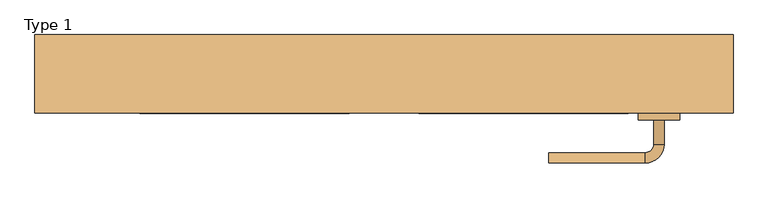
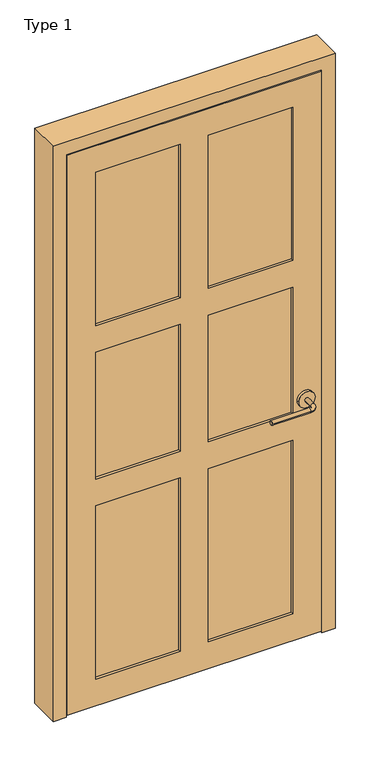
"""IFC4 building model written with IfcOpenShell, lengths in millimetres: door geometry, Type 1."""

from ifc_helpers import new_model, si_unit, point, frame, frame_2d, origin, place, context, project, spatial, circle_curve, ellipse_curve, trimmed, segment, composite_curve, outline, extrude, faceted_brep, source, transform, mapped, element, save
from ifc_brep_helpers import plane_surface, cylinder_surface, revolved_surface, advanced_brep


def type_1_a04a59ce(model_context):
    return source(origin(), model_context, "Body", "SolidModel", [
        advanced_brep(
        [(509.0006555, -14.4795325, 914.4), (494.0006555, -14.4795325, 914.4), (509.0006555, 20.5204675, 914.4), (494.0006555, 20.5204675, 914.4), (481.5006555, 33.0204675, 914.4), (481.5006555, 48.0204675, 914.4), (341.5006555, 48.0204675, 914.4), (341.5006555, 33.0204675, 914.4)],
        [
            (0, 1, circle_curve(frame((501.5006555, -14.4795325, 914.4), z_axis=(0.0, -1.0, 0.0), x_axis=(-1.0, 0.0, 0.0)), 7.5)),
            (1, 0, circle_curve(frame((501.5006555, -14.4795325, 914.4), z_axis=(0.0, -1.0, 0.0), x_axis=(-1.0, 0.0, 0.0)), 7.5)),
            (0, 2),
            (2, 3, circle_curve(frame((501.5006555, 20.5204675, 914.4), z_axis=(0.0, -1.0, 0.0), x_axis=(-1.0, 0.0, 0.0)), 7.5)),
            (3, 1),
            (3, 2, circle_curve(frame((501.5006555, 20.5204675, 914.4), z_axis=(0.0, -1.0, 0.0), x_axis=(-1.0, 0.0, 0.0)), 7.5)),
            (4, 3, circle_curve(frame((481.5006555, 20.5204675, 914.4), z_axis=(0.0, 0.0, -1.0), x_axis=(1.0, 0.0, 0.0)), 12.5)),
            (2, 5, circle_curve(frame((481.5006555, 20.5204675, 914.4), z_axis=(0.0, 0.0, 1.0), x_axis=(1.0, 0.0, 0.0)), 27.5)),
            (5, 4, circle_curve(frame((481.5006555, 40.5204675, 914.4), z_axis=(1.0, 0.0, 0.0), x_axis=(0.0, -1.0, 0.0)), 7.5)),
            (4, 5, circle_curve(frame((481.5006555, 40.5204675, 914.4), z_axis=(1.0, 0.0, 0.0), x_axis=(0.0, -1.0, 0.0)), 7.5)),
            (6, 7, circle_curve(frame((341.5006555, 40.5204675, 914.4), z_axis=(-1.0, 0.0, 0.0), x_axis=(0.0, -1.0, 0.0)), 7.5)),
            (7, 6, circle_curve(frame((341.5006555, 40.5204675, 914.4), z_axis=(-1.0, 0.0, 0.0), x_axis=(0.0, -1.0, 0.0)), 7.5)),
            (5, 6),
            (7, 4),
        ],
        [
            plane_surface(frame((501.5006555, -14.4795325, 914.4), z_axis=(0.0, -1.0, 0.0), x_axis=(0.0, 0.0, 1.0))),
            cylinder_surface(frame((501.5006555, -14.4795325, 914.4), z_axis=(0.0, -1.0, 0.0), x_axis=(-1.0, 0.0, 0.0)), 7.5),
            revolved_surface(trimmed(ellipse_curve(frame((501.5006555, 20.5204675, 914.4), z_axis=(0.0, -1.0, 0.0), x_axis=(-1.0, 0.0, 0.0)), 7.5, 7.5), [point((509.0006555, 20.5204675, 914.4))], [point((494.0006555, 20.5204675, 914.4))], True, "CARTESIAN"), (481.5006555, 20.5204675, 914.4), (0.0, 0.0, 1.0)),
            revolved_surface(trimmed(ellipse_curve(frame((501.5006555, 20.5204675, 914.4), z_axis=(0.0, -1.0, 0.0), x_axis=(-1.0, 0.0, 0.0)), 7.5, 7.5), [point((494.0006555, 20.5204675, 914.4))], [point((509.0006555, 20.5204675, 914.4))], True, "CARTESIAN"), (481.5006555, 20.5204675, 914.4), (0.0, 0.0, 1.0)),
            plane_surface(frame((341.5006555, 40.5204675, 914.4), z_axis=(-1.0, 0.0, 0.0), x_axis=(0.0, 0.0, 1.0))),
            cylinder_surface(frame((481.5006555, 40.5204675, 914.4), z_axis=(1.0, 0.0, 0.0), x_axis=(0.0, -1.0, 0.0)), 7.5),
        ],
        [
            (0, [[1, 2]]),
            (1, [[-1, 3, 4, 5]]),
            (1, [[-2, -5, 6, -3]]),
            (2, [[7, -4, 8, 9]]),
            (3, [[-8, -6, -7, 10]]),
            (4, [[11, 12]]),
            (5, [[-9, 13, -12, 14]]),
            (5, [[-10, -14, -11, -13]]),
        ],
    ),
        extrude(outline(composite_curve([segment(trimmed(circle_curve(frame_2d((914.4, 501.5006555)), 30.0), [point((914.4, 531.5006555))], [point((914.4, 471.5006555))], False, "CARTESIAN"), True, "CONTINUOUS"), segment(trimmed(circle_curve(frame_2d((914.4, 501.5006555)), 30.0), [point((914.4, 471.5006555))], [point((914.4, 531.5006555))], False, "CARTESIAN"), True, "CONTINUOUS")], self_intersect=False)), frame((0.0, -24.4795325, 0.0), z_axis=(0.0, 1.0, 0.0), x_axis=(0.0, 0.0, 1.0)), (0.0, 0.0, 1.0), 10.0),
        advanced_brep(
        [(509.0006555, -69.4045325, 914.4), (494.0006555, -69.4045325, 914.4), (494.0006555, -104.4045325, 914.4), (509.0006555, -104.4045325, 914.4), (481.5006555, -116.9045325, 914.4), (481.5006555, -131.9045325, 914.4), (341.5006555, -131.9045325, 914.4), (341.5006555, -116.9045325, 914.4)],
        [
            (0, 1, circle_curve(frame((501.5006555, -69.4045325, 914.4), z_axis=(0.0, 1.0, 0.0), x_axis=(-1.0, 0.0, 0.0)), 7.5)),
            (1, 0, circle_curve(frame((501.5006555, -69.4045325, 914.4), z_axis=(0.0, 1.0, 0.0), x_axis=(-1.0, 0.0, 0.0)), 7.5)),
            (1, 2),
            (2, 3, circle_curve(frame((501.5006555, -104.4045325, 914.4), z_axis=(0.0, 1.0, 0.0), x_axis=(-1.0, 0.0, 0.0)), 7.5)),
            (3, 0),
            (3, 2, circle_curve(frame((501.5006555, -104.4045325, 914.4), z_axis=(0.0, 1.0, 0.0), x_axis=(-1.0, 0.0, 0.0)), 7.5)),
            (4, 5, circle_curve(frame((481.5006555, -124.4045325, 914.4), z_axis=(1.0, 0.0, 0.0), x_axis=(0.0, 1.0, 0.0)), 7.5)),
            (5, 3, circle_curve(frame((481.5006555, -104.4045325, 914.4), z_axis=(0.0, 0.0, 1.0), x_axis=(1.0, 0.0, 0.0)), 27.5)),
            (2, 4, circle_curve(frame((481.5006555, -104.4045325, 914.4), z_axis=(0.0, 0.0, -1.0), x_axis=(1.0, 0.0, 0.0)), 12.5)),
            (5, 4, circle_curve(frame((481.5006555, -124.4045325, 914.4), z_axis=(1.0, 0.0, 0.0), x_axis=(0.0, 1.0, 0.0)), 7.5)),
            (6, 7, circle_curve(frame((341.5006555, -124.4045325, 914.4), z_axis=(-1.0, 0.0, 0.0), x_axis=(0.0, 1.0, 0.0)), 7.5)),
            (7, 6, circle_curve(frame((341.5006555, -124.4045325, 914.4), z_axis=(-1.0, 0.0, 0.0), x_axis=(0.0, 1.0, 0.0)), 7.5)),
            (4, 7),
            (6, 5),
        ],
        [
            plane_surface(frame((501.5006555, -69.4045325, 914.4), z_axis=(0.0, 1.0, 0.0), x_axis=(0.0, 0.0, 1.0))),
            cylinder_surface(frame((501.5006555, -69.4045325, 914.4), z_axis=(0.0, 1.0, 0.0), x_axis=(-1.0, 0.0, 0.0)), 7.5),
            revolved_surface(trimmed(ellipse_curve(frame((501.5006555, -104.4045325, 914.4), z_axis=(0.0, -1.0, 0.0), x_axis=(-1.0, 0.0, 0.0)), 7.5, 7.5), [point((509.0006555, -104.4045325, 914.4))], [point((494.0006555, -104.4045325, 914.4))], True, "CARTESIAN"), (481.5006555, -104.4045325, 914.4), (0.0, 0.0, 1.0)),
            revolved_surface(trimmed(ellipse_curve(frame((501.5006555, -104.4045325, 914.4), z_axis=(0.0, -1.0, 0.0), x_axis=(-1.0, 0.0, 0.0)), 7.5, 7.5), [point((494.0006555, -104.4045325, 914.4))], [point((509.0006555, -104.4045325, 914.4))], True, "CARTESIAN"), (481.5006555, -104.4045325, 914.4), (0.0, 0.0, 1.0)),
            plane_surface(frame((341.5006555, -124.4045325, 914.4), z_axis=(-1.0, 0.0, 0.0), x_axis=(0.0, 0.0, 1.0))),
            cylinder_surface(frame((481.5006555, -124.4045325, 914.4), z_axis=(1.0, 0.0, 0.0), x_axis=(0.0, 1.0, 0.0)), 7.5),
        ],
        [
            (0, [[1, 2]]),
            (1, [[3, 4, 5, -2]]),
            (1, [[-5, 6, -3, -1]]),
            (2, [[7, 8, -4, 9]]),
            (3, [[10, -9, -6, -8]]),
            (4, [[11, 12]]),
            (5, [[13, -11, 14, -7]]),
            (5, [[-14, -12, -13, -10]]),
        ],
    ),
        extrude(outline(composite_curve([segment(trimmed(circle_curve(frame_2d((914.4, 501.5006555)), 30.0), [point((914.4, 531.5006555))], [point((914.4, 471.5006555))], False, "CARTESIAN"), True, "CONTINUOUS"), segment(trimmed(circle_curve(frame_2d((914.4, 501.5006555)), 30.0), [point((914.4, 471.5006555))], [point((914.4, 531.5006555))], False, "CARTESIAN"), True, "CONTINUOUS")], self_intersect=False)), frame((0.0, -69.4045325, 0.0), z_axis=(0.0, 1.0, 0.0), x_axis=(0.0, 0.0, 1.0)), (0.0, 0.0, 1.0), 10.0),
        faceted_brep([(-355.7493445, -59.4045325, 6.35), (558.6506555, -59.4045325, 6.35), (558.6506555, -59.4045325, 2139.95), (-355.7493445, -59.4045325, 2139.95), (-254.1493445, -59.4045325, 768.35), (50.6506555, -59.4045325, 768.35), (50.6506555, -59.4045325, 107.95), (-254.1493445, -59.4045325, 107.95), (152.2506555, -59.4045325, 768.35), (457.0506555, -59.4045325, 768.35), (457.0506555, -59.4045325, 107.95), (152.2506555, -59.4045325, 107.95), (152.2506555, -59.4045325, 1352.55), (457.0506555, -59.4045325, 1352.55), (457.0506555, -59.4045325, 869.95), (152.2506555, -59.4045325, 869.95), (-254.1493445, -59.4045325, 1352.55), (50.6506555, -59.4045325, 1352.55), (50.6506555, -59.4045325, 869.95), (-254.1493445, -59.4045325, 869.95), (152.2506555, -59.4045325, 2038.35), (457.0506555, -59.4045325, 2038.35), (457.0506555, -59.4045325, 1454.15), (152.2506555, -59.4045325, 1454.15), (-254.1493445, -59.4045325, 2038.35), (50.6506555, -59.4045325, 2038.35), (50.6506555, -59.4045325, 1454.15), (-254.1493445, -59.4045325, 1454.15), (-355.7493445, -24.4795325, 6.35), (-355.7493445, -24.4795325, 2139.95), (558.6506555, -24.4795325, 2139.95), (558.6506555, -24.4795325, 6.35), (152.2506555, -24.4795325, 869.95), (457.0506555, -24.4795325, 869.95), (457.0506555, -24.4795325, 1352.55), (152.2506555, -24.4795325, 1352.55), (-254.1493445, -24.4795325, 869.95), (50.6506555, -24.4795325, 869.95), (50.6506555, -24.4795325, 1352.55), (-254.1493445, -24.4795325, 1352.55), (-254.1493445, -24.4795325, 107.95), (50.6506555, -24.4795325, 107.95), (50.6506555, -24.4795325, 768.35), (-254.1493445, -24.4795325, 768.35), (152.2506555, -24.4795325, 107.95), (457.0506555, -24.4795325, 107.95), (457.0506555, -24.4795325, 768.35), (152.2506555, -24.4795325, 768.35), (152.2506555, -24.4795325, 1454.15), (457.0506555, -24.4795325, 1454.15), (457.0506555, -24.4795325, 2038.35), (152.2506555, -24.4795325, 2038.35), (-254.1493445, -24.4795325, 1454.15), (50.6506555, -24.4795325, 1454.15), (50.6506555, -24.4795325, 2038.35), (-254.1493445, -24.4795325, 2038.35), (152.2506555, -49.4045325, 1352.55), (152.2506555, -49.4045325, 869.95), (457.0506555, -49.4045325, 869.95), (457.0506555, -49.4045325, 1352.55), (-254.1493445, -49.4045325, 1352.55), (-254.1493445, -49.4045325, 869.95), (50.6506555, -49.4045325, 869.95), (50.6506555, -49.4045325, 1352.55), (-254.1493445, -49.4045325, 768.35), (-254.1493445, -49.4045325, 107.95), (50.6506555, -49.4045325, 107.95), (50.6506555, -49.4045325, 768.35), (152.2506555, -49.4045325, 768.35), (152.2506555, -49.4045325, 107.95), (457.0506555, -49.4045325, 107.95), (457.0506555, -49.4045325, 768.35), (152.2506555, -34.4795325, 869.95), (152.2506555, -34.4795325, 1352.55), (457.0506555, -34.4795325, 1352.55), (457.0506555, -34.4795325, 869.95), (-254.1493445, -34.4795325, 869.95), (-254.1493445, -34.4795325, 1352.55), (50.6506555, -34.4795325, 1352.55), (50.6506555, -34.4795325, 869.95), (-254.1493445, -34.4795325, 107.95), (-254.1493445, -34.4795325, 768.35), (50.6506555, -34.4795325, 768.35), (50.6506555, -34.4795325, 107.95), (152.2506555, -34.4795325, 107.95), (152.2506555, -34.4795325, 768.35), (457.0506555, -34.4795325, 768.35), (457.0506555, -34.4795325, 107.95), (152.2506555, -49.4045325, 2038.35), (152.2506555, -49.4045325, 1454.15), (457.0506555, -49.4045325, 1454.15), (457.0506555, -49.4045325, 2038.35), (-254.1493445, -49.4045325, 2038.35), (-254.1493445, -49.4045325, 1454.15), (50.6506555, -49.4045325, 1454.15), (50.6506555, -49.4045325, 2038.35), (152.2506555, -34.4795325, 2038.35), (457.0506555, -34.4795325, 2038.35), (457.0506555, -34.4795325, 1454.15), (152.2506555, -34.4795325, 1454.15), (-254.1493445, -34.4795325, 2038.35), (50.6506555, -34.4795325, 2038.35), (50.6506555, -34.4795325, 1454.15), (-254.1493445, -34.4795325, 1454.15)], [[[0, 1, 2, 3], [4, 5, 6, 7], [8, 9, 10, 11], [12, 13, 14, 15], [16, 17, 18, 19], [20, 21, 22, 23], [24, 25, 26, 27]], [[28, 29, 30, 31], [32, 33, 34, 35], [36, 37, 38, 39], [40, 41, 42, 43], [44, 45, 46, 47], [48, 49, 50, 51], [52, 53, 54, 55]], [[3, 29, 28, 0]], [[2, 30, 29, 3]], [[1, 31, 30, 2]], [[0, 28, 31, 1]], [[56, 12, 15, 57]], [[57, 15, 14, 58]], [[58, 14, 13, 59]], [[60, 16, 19, 61]], [[61, 19, 18, 62]], [[62, 18, 17, 63]], [[64, 4, 7, 65]], [[65, 7, 6, 66]], [[66, 6, 5, 67]], [[67, 5, 4, 64]], [[68, 8, 11, 69]], [[69, 11, 10, 70]], [[70, 10, 9, 71]], [[71, 9, 8, 68]], [[72, 32, 35, 73]], [[74, 34, 33, 75]], [[75, 33, 32, 72]], [[76, 36, 39, 77]], [[78, 38, 37, 79]], [[79, 37, 36, 76]], [[80, 40, 43, 81]], [[81, 43, 42, 82]], [[82, 42, 41, 83]], [[83, 41, 40, 80]], [[84, 44, 47, 85]], [[85, 47, 46, 86]], [[86, 46, 45, 87]], [[87, 45, 44, 84]], [[56, 57, 58, 59]], [[60, 61, 62, 63]], [[64, 65, 66, 67]], [[68, 69, 70, 71]], [[73, 74, 75, 72]], [[77, 78, 79, 76]], [[81, 82, 83, 80]], [[85, 86, 87, 84]], [[59, 13, 12, 56]], [[63, 17, 16, 60]], [[73, 35, 34, 74]], [[77, 39, 38, 78]], [[88, 89, 90, 91]], [[88, 20, 23, 89]], [[89, 23, 22, 90]], [[90, 22, 21, 91]], [[91, 21, 20, 88]], [[92, 93, 94, 95]], [[92, 24, 27, 93]], [[93, 27, 26, 94]], [[94, 26, 25, 95]], [[95, 25, 24, 92]], [[96, 97, 98, 99]], [[99, 48, 51, 96]], [[98, 49, 48, 99]], [[97, 50, 49, 98]], [[96, 51, 50, 97]], [[100, 101, 102, 103]], [[103, 52, 55, 100]], [[102, 53, 52, 103]], [[101, 54, 53, 102]], [[100, 55, 54, 101]]]),
        faceted_brep([(-406.5493445, -59.4045325, 0.0), (-406.5493445, 54.8954675, 0.0), (-358.9243445, 54.8954675, 0.0), (-358.9243445, 16.7954675, 0.0), (-346.2243445, 16.7954675, 0.0), (-346.2243445, -21.3045325, 0.0), (-358.9243445, -21.3045325, 0.0), (-358.9243445, -59.4045325, 0.0), (-358.9243445, -21.3045325, 2143.125), (-358.9243445, -59.4045325, 2143.125), (-346.2243445, 16.7954675, 2130.425), (-346.2243445, -21.3045325, 2130.425), (-358.9243445, 54.8954675, 2143.125), (-358.9243445, 16.7954675, 2143.125), (609.4506555, -59.4045325, 2190.75), (609.4506555, -59.4045325, 0.0), (609.4506555, 54.8954675, 0.0), (609.4506555, 54.8954675, 2190.75), (561.8256555, 54.8954675, 0.0), (561.8256555, 54.8954675, 2143.125), (-406.5493445, 54.8954675, 2190.75), (561.8256555, -59.4045325, 0.0), (561.8256555, -21.3045325, 0.0), (549.1256555, -21.3045325, 0.0), (549.1256555, 16.7954675, 0.0), (561.8256555, 16.7954675, 0.0), (-406.5493445, -59.4045325, 2190.75), (561.8256555, -59.4045325, 2143.125), (561.8256555, 16.7954675, 2143.125), (549.1256555, 16.7954675, 2130.425), (549.1256555, -21.3045325, 2130.425), (561.8256555, -21.3045325, 2143.125)], [[[0, 1, 2, 3, 4, 5, 6, 7]], [[6, 8, 9, 7]], [[4, 10, 11, 5]], [[2, 12, 13, 3]], [[14, 15, 16, 17]], [[17, 16, 18, 19, 12, 2, 1, 20]], [[15, 21, 22, 23, 24, 25, 18, 16]], [[26, 0, 7, 9, 27, 21, 15, 14]], [[20, 1, 0, 26]], [[25, 28, 19, 18]], [[3, 13, 28, 25, 24, 29, 10, 4]], [[23, 30, 29, 24]], [[5, 11, 30, 23, 22, 31, 8, 6]], [[21, 27, 31, 22]], [[17, 20, 26, 14]], [[12, 19, 28, 13]], [[10, 29, 30, 11]], [[8, 31, 27, 9]]]),
    ])


if __name__ == "__main__":
    model = new_model("IFC4")
    model_context = context("Model", 3, world=origin())
    ifc_project = project(units=[si_unit("LENGTHUNIT", "METRE", prefix="MILLI")], contexts=[model_context])
    site = spatial("IfcSite", under=ifc_project)
    building = spatial("IfcBuilding", under=site)
    placement = place(None, origin())
    type_1_shape = type_1_a04a59ce(model_context)
    element("IfcDoor", 1, ObjectType="Type 1", at=placement, inside=building, context=model_context, shape_type="MappedRepresentation", body=[
        mapped(type_1_shape, transform((0.0, 0.0, 0.0), x_axis=(1.0, 0.0, 0.0), y_axis=(0.0, 1.0, 0.0), z_axis=(0.0, 0.0, 1.0))),
    ])
    save(model, "model.ifc")
